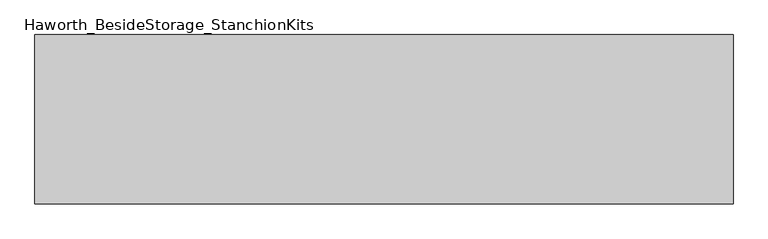
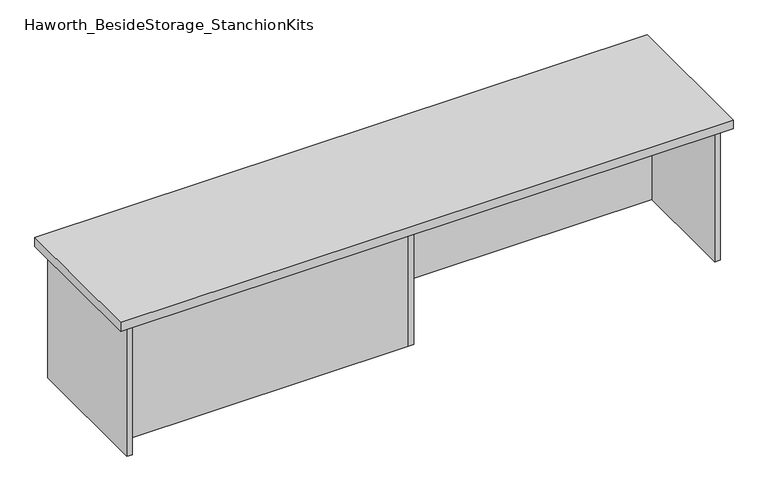
"""IFC4 building model written with IfcOpenShell, lengths in millimetres: furniture geometry, Haworth_BesideStorage_StanchionKits."""

from ifc_helpers import new_model, si_unit, frame, origin, place, context, project, spatial, polyline, outline, extrude, source, transform, mapped, element, save


def haworth_besidestorage_stanchionkits_fce8cdc4(model_context):
    return source(origin(), model_context, "Body", "SweptSolid", [
        extrude(outline(polyline([(1000.125, 0.0), (1000.125, -406.4), (-676.275, -406.4), (-676.275, 0.0), (1000.125, 0.0)])), frame((0.0, 0.0, 812.8), z_axis=(0.0, 0.0, 1.0), x_axis=(1.0, 0.0, 0.0)), (0.0, 0.0, 1.0), 25.4),
        extrude(outline(polyline([(169.8625, -76.2), (958.85, -76.2), (958.85, -92.075), (169.8625, -92.075), (169.8625, -76.2)])), frame((0.0, 0.0, 431.8), z_axis=(0.0, 0.0, 1.0), x_axis=(1.0, 0.0, 0.0)), (0.0, 0.0, 1.0), 381.0),
        extrude(outline(polyline([(153.9875, -314.325), (153.9875, -330.2), (-635.0, -330.2), (-635.0, -314.325), (153.9875, -314.325)])), frame((0.0, 0.0, 431.8), z_axis=(0.0, 0.0, 1.0), x_axis=(1.0, 0.0, 0.0)), (0.0, 0.0, 1.0), 381.0),
        extrude(outline(polyline([(169.8625, -330.2), (153.9875, -330.2), (153.9875, -76.2), (169.8625, -76.2), (169.8625, -330.2)])), frame((0.0, 0.0, 431.8), z_axis=(0.0, 0.0, 1.0), x_axis=(1.0, 0.0, 0.0)), (0.0, 0.0, 1.0), 381.0),
        extrude(outline(polyline([(974.725, -390.525), (958.85, -390.525), (958.85, -15.875), (974.725, -15.875), (974.725, -390.525)])), frame((0.0, 0.0, 431.8), z_axis=(0.0, 0.0, 1.0), x_axis=(1.0, 0.0, 0.0)), (0.0, 0.0, 1.0), 381.0),
        extrude(outline(polyline([(-635.0, -390.525), (-650.875, -390.525), (-650.875, -15.875), (-635.0, -15.875), (-635.0, -390.525)])), frame((0.0, 0.0, 431.8), z_axis=(0.0, 0.0, 1.0), x_axis=(1.0, 0.0, 0.0)), (0.0, 0.0, 1.0), 381.0),
    ])


if __name__ == "__main__":
    model = new_model("IFC4")
    model_context = context("Model", 3, world=origin())
    ifc_project = project(units=[si_unit("LENGTHUNIT", "METRE", prefix="MILLI")], contexts=[model_context])
    site = spatial("IfcSite", under=ifc_project)
    building = spatial("IfcBuilding", under=site)
    placement = place(None, origin())
    haworth_besidestorage_stanchionkits_shape = haworth_besidestorage_stanchionkits_fce8cdc4(model_context)
    element("IfcFurniture", 1, ObjectType="Haworth_BesideStorage_StanchionKits", at=placement, inside=building, context=model_context, shape_type="MappedRepresentation", body=[
        mapped(haworth_besidestorage_stanchionkits_shape, transform((0.0, 0.0, 0.0), x_axis=(1.0, 0.0, 0.0), y_axis=(0.0, 1.0, 0.0), z_axis=(0.0, 0.0, 1.0))),
    ])
    save(model, "model.ifc")
